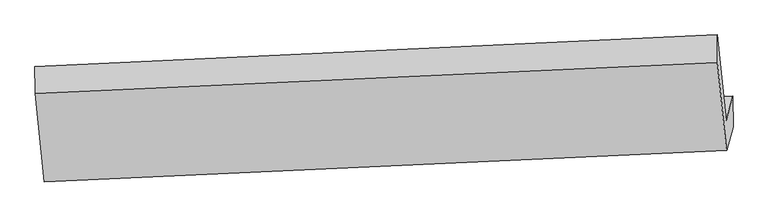
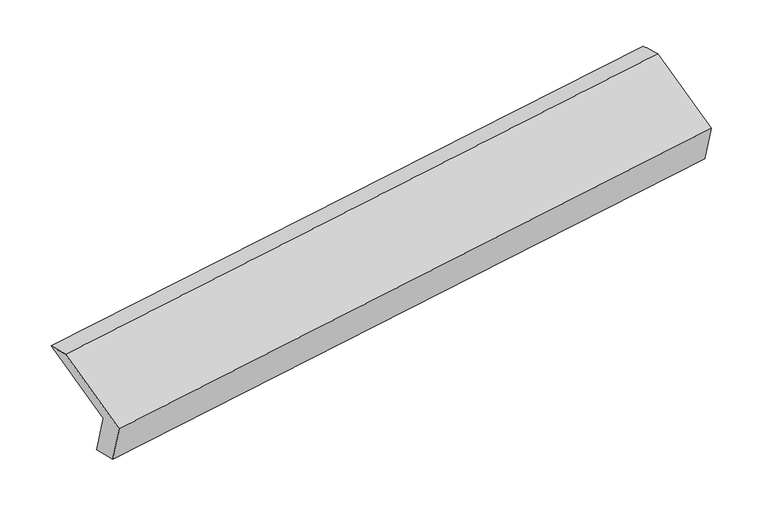
"""IFC4 building model written with IfcOpenShell, lengths in millimetres: proxy geometry."""

from ifc_helpers import new_model, si_unit, frame, origin, place, context, project, spatial, source, transform, mapped, element, save
from ifc_brep_helpers import plane_surface, spline_surface, advanced_brep


def generic_models_be9d0f7a(model_context):
    return source(origin(), model_context, "Body", "AdvancedBrep", [
        advanced_brep(
        [(-5167.5763082, -1600.4748788, 1233.5848481), (-5213.9170819, -1766.9206096, 1607.2825955), (-499.9845623, -1546.6477987, 2278.9315226), (-453.6437887, -1380.2020679, 1905.2337751), (-5165.2489005, -1810.5657744, 1279.088375), (-452.4419608, -1594.3357954, 1959.8141176), (-5210.4640944, -1972.9686733, 1643.709307), (-497.6571546, -1756.7386943, 2324.4350496), (-5273.7303206, -1362.9600536, 1907.5629838), (-560.9233808, -1146.7300746, 2588.2887263), (-5275.2880644, -1175.1858002, 1863.232102), (-561.3555448, -954.9129893, 2534.881029)],
        [
            (0, 1),
            (1, 2),
            (2, 3),
            (3, 0),
            (4, 0),
            (3, 5),
            (5, 4),
            (6, 4),
            (5, 7),
            (7, 6),
            (8, 6),
            (7, 9),
            (9, 8),
            (10, 8),
            (9, 11),
            (11, 10),
            (1, 10),
            (11, 2),
        ],
        [
            plane_surface(frame((-5190.7466951, -1683.6977442, 1420.4337218), z_axis=(-0.09891152876597373, 0.9135082182886363, 0.39461277804488215), x_axis=(-0.11255798468406074, -0.40428319470306234, 0.9076815512967907))),
            spline_surface(1, 1, [[(-5165.2489005, -1810.5657744, 1279.088375), (-452.4419608, -1594.3357954, 1959.8141176)], [(-5167.5763082, -1600.4748788, 1233.5848481), (-453.6437887, -1380.2020679, 1905.2337751)]], [2, 2], [2, 2], [0.0, 1.0], [0.0, 1.0]),
            plane_surface(frame((-5187.8564975, -1891.7672238, 1461.398841), z_axis=(0.09891152876598108, -0.9135082182886168, -0.3946127780449248), x_axis=(0.112557984684061, 0.4042831947031058, -0.9076815512967713))),
            plane_surface(frame((-5242.0972075, -1667.9643635, 1775.6361454), z_axis=(-0.11255798468406195, -0.40428319470305524, 0.9076815512967938), x_axis=(0.09476218681844584, -0.913690514545134, -0.39520851658287237))),
            spline_surface(1, 1, [[(-5275.2880644, -1175.1858002, 1863.232102), (-561.3555448, -954.9129893, 2534.881029)], [(-5273.7303206, -1362.9600536, 1907.5629838), (-560.9233808, -1146.7300746, 2588.2887263)]], [2, 2], [2, 2], [0.0, 1.0], [0.0, 1.0]),
            plane_surface(frame((-5244.6025732, -1471.0532049, 1735.2573488), z_axis=(0.11048263523156517, 0.40419517772657837, -0.9079756855857258), x_axis=(-0.09476218681844592, 0.9136905145451338, 0.39520851658287254))),
            plane_surface(frame((-504.3343987, -1396.5945701, 2265.2640367), z_axis=(0.9891161853054715, 0.04153001457909596, 0.14115392256615683), x_axis=(0.09476218681844584, -0.913690514545134, -0.39520851658287237))),
            plane_surface(frame((-5217.7041283, -1614.845965, 1589.0767019), z_axis=(-0.9891161853054709, -0.04153001457910974, -0.141153922566156), x_axis=(0.11255798468405927, 0.4042831947030624, -0.9076815512967908))),
        ],
        [
            (0, [[1, 2, 3, 4]]),
            (1, [[5, -4, 6, 7]]),
            (2, [[8, -7, 9, 10]]),
            (3, [[11, -10, 12, 13]]),
            (4, [[14, -13, 15, 16]]),
            (5, [[17, -16, 18, -2]]),
            (6, [[-12, -9, -6, -3, -18, -15]]),
            (7, [[-1, -5, -8, -11, -14, -17]]),
        ],
    ),
    ])


if __name__ == "__main__":
    model = new_model("IFC4")
    model_context = context("Model", 3, world=origin())
    ifc_project = project(units=[si_unit("LENGTHUNIT", "METRE", prefix="MILLI")], contexts=[model_context])
    site = spatial("IfcSite", under=ifc_project)
    building = spatial("IfcBuilding", under=site)
    placement = place(None, origin())
    generic_models_shape = generic_models_be9d0f7a(model_context)
    element("IfcBuildingElementProxy", 1, Name="Generic Models", at=placement, inside=building, context=model_context, shape_type="MappedRepresentation", body=[
        mapped(generic_models_shape, transform((0.0, 0.0, 0.0), x_axis=(1.0, 0.0, 0.0), y_axis=(0.0, 1.0, 0.0), z_axis=(0.0, 0.0, 1.0))),
    ])
    save(model, "model.ifc")
